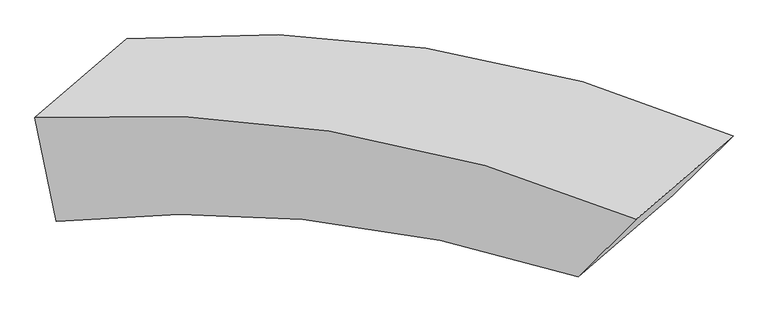
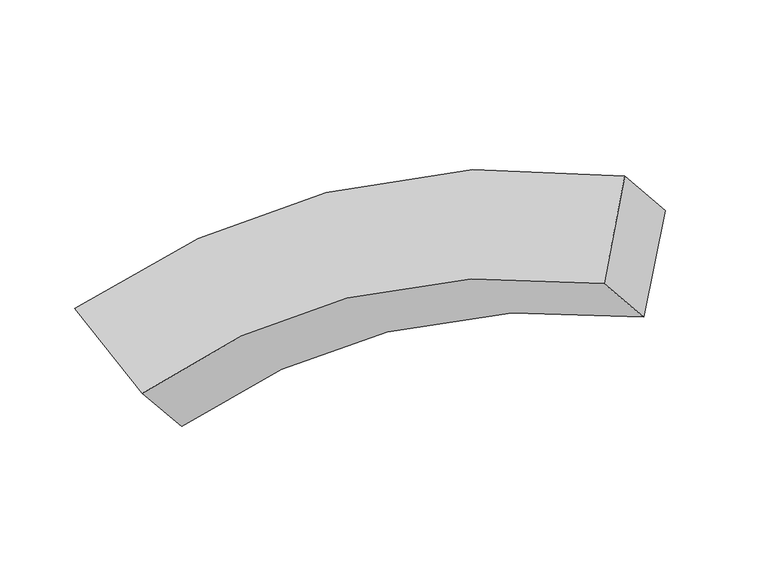
"""IFC4 building model written with IfcOpenShell, lengths in millimetres: proxy geometry."""

from ifc_helpers import new_model, si_unit, frame, origin, place, context, project, spatial, source, transform, mapped, element, save
from ifc_brep_helpers import plane_surface, spline_curve, spline_surface, advanced_brep


def generic_models_2a4c7861(model_context):
    return source(origin(), model_context, "Body", "AdvancedBrep", [
        advanced_brep(
        [(11433.2935206, -3349.4048131, 1072.9148734), (10913.4321047, -3797.7714913, 1759.9650845), (8058.2750024, -3495.749154, 1813.9705816), (8570.9774516, -3053.5568947, 1136.3816797), (11760.7384197, -3026.5263979, 1503.1147141), (8444.922343, -2493.6544437, 1434.6647041), (11230.1720067, -3484.125852, 2204.3126773), (7942.9248908, -2926.6139272, 2098.1058539)],
        [
            (0, 1),
            (1, 2, spline_curve(3, [(10913.4321047, -3797.7714913, 1759.9650845), (10408.388597045, -3636.944399425, 1913.81832185), (9906.870148962, -3532.725337279, 1992.050615982), (8955.757781195, -3441.793523979, 1997.038007615), (8505.557195154, -3445.338473672, 1936.807545814), (8058.2750024, -3495.749154, 1813.9705816)], [4, 2, 4], [0.0, 0.5235904877689537, 1.0])),
            (2, 3),
            (3, 0, spline_curve(3, [(8570.9774516, -3053.5568947, 1136.3816797), (9024.764448475, -2997.53599339, 1250.621877714), (9478.912502147, -2990.586457498, 1305.63535588), (10432.942803147, -3079.001630832, 1296.791616047), (10932.900105814, -3184.56713951, 1220.622535815), (11433.2935206, -3349.4048131, 1072.9148734)], [4, 2, 4], [0.0, 0.47640951223104633, 1.0])),
            (4, 0),
            (3, 5),
            (5, 4, spline_curve(3, [(8444.922343, -2493.6544437, 1434.6647041), (9006.119850095, -2449.185599051, 1585.810868537), (9550.81672292, -2466.216744483, 1670.1281713), (10659.518847708, -2631.056306878, 1706.837012645), (11220.094000659, -2791.649146069, 1645.33637988), (11760.7384197, -3026.5263979, 1503.1147141)], [4, 2, 4], [0.0, 4.9622898187737885, 10.416017504636233])),
            (6, 4),
            (5, 7),
            (7, 6, spline_curve(3, [(7942.9248908, -2926.6139272, 2098.1058539), (8491.269953396, -2893.229974902, 2266.237842681), (9027.076014014, -2917.929209859, 2362.305266028), (10125.431620592, -3091.692369946, 2412.688093313), (10685.374598481, -3252.830443204, 2352.022944315), (11230.1720067, -3484.125852, 2204.3126773)], [4, 2, 4], [0.0, 5.334047940138312, 11.196350625239901])),
            (1, 6),
            (7, 2),
        ],
        [
            spline_surface(3, 3, [[(11433.2935206, -3349.4048131, 1072.9148734), (10932.900105818, -3184.567139503, 1220.622535811), (10432.942803149, -3079.001630829, 1296.791616051), (9478.912502145, -2990.586457501, 1305.635355876), (9024.764448476, -2997.535993392, 1250.621877717), (8570.9774516, -3053.5568947, 1136.3816797)], [(11260.006381952, -3498.860372503, 1301.931610437), (10758.062936215, -3335.35955948, 1451.687797825), (10257.585251748, -3230.242866299, 1528.544616015), (9304.527595153, -3140.988812975, 1536.102906438), (8851.695364029, -3146.803486832, 1479.35043375), (8400.076635196, -3200.954314482, 1362.244646999)], [(11086.719243348, -3648.315931897, 1530.948347463), (10583.225766654, -3486.151979448, 1682.753059829), (10082.227700369, -3381.484101817, 1760.297616026), (9130.142688183, -3291.391168498, 1766.570457047), (8678.626279594, -3296.070980227, 1708.078989786), (8229.175818804, -3348.351734218, 1588.107614301)], [(10913.4321047, -3797.7714913, 1759.9650845), (10408.388597051, -3636.944399424, 1913.818321843), (9906.870148968, -3532.725337288, 1992.050615989), (8955.75778119, -3441.793523972, 1997.038007609), (8505.557195147, -3445.338473667, 1936.807545819), (8058.2750024, -3495.749154, 1813.9705816)]], [4, 4], [4, 2, 4], [0.0, 1.0], [0.0, 0.5235904877689537, 1.0]),
            spline_surface(3, 3, [[(11760.7384197, -3026.5263979, 1503.1147141), (11220.094000584, -2791.649146112, 1645.33637985), (10659.518847789, -2631.056306815, 1706.837012649), (9550.816722847, -2466.216744541, 1670.128171297), (9006.119850027, -2449.185599095, 1585.810868521), (8444.922343, -2493.6544437, 1434.6647041)], [(11651.590120025, -3134.152536304, 1359.714767213), (11124.362702353, -2922.62181058, 1503.765098517), (10583.993499571, -2780.371414829, 1570.155213791), (9526.848649275, -2641.006648871, 1548.630566166), (9012.33471618, -2631.969063853, 1474.081204953), (8486.940712536, -2680.288594025, 1335.237029333)], [(11542.441820275, -3241.778674696, 1216.314820287), (11028.631404049, -3053.594475035, 1362.193817144), (10508.468151367, -2929.686522814, 1433.473414908), (9502.880575717, -2815.796553171, 1427.132961008), (9018.549582324, -2814.752528635, 1362.351541285), (8528.959082064, -2866.922744375, 1235.809354467)], [(11433.2935206, -3349.4048131, 1072.9148734), (10932.900105818, -3184.567139503, 1220.622535811), (10432.942803149, -3079.001630829, 1296.791616051), (9478.912502145, -2990.586457501, 1305.635355876), (9024.764448476, -2997.535993392, 1250.621877717), (8570.9774516, -3053.5568947, 1136.3816797)]], [4, 4], [4, 2, 4], [0.0, 2.0977790678300163], [0.0, 5.453727685862445, 10.416017504636233]),
            spline_surface(3, 3, [[(11230.1720067, -3484.125852, 2204.3126773), (10685.37459848, -3252.830443126, 2352.022944345), (10125.431620554, -3091.692369853, 2412.6880933), (9027.076014048, -2917.929209944, 2362.305266041), (8491.269953362, -2893.229974943, 2266.237842642), (7942.9248908, -2926.6139272, 2098.1058539)], [(11407.027477675, -3331.59270064, 1970.580022898), (10863.614399156, -3099.103344128, 2116.460756178), (10303.460696308, -2938.14701551, 2177.404399743), (9201.656250324, -2767.358388145, 2131.579567786), (8662.886585594, -2745.215183002, 2039.428851268), (8110.257374876, -2782.294099375, 1876.958803966)], [(11583.882948725, -3179.05954926, 1736.847368502), (11041.854199908, -2945.376245109, 1880.898568017), (10481.489772034, -2784.601661158, 1942.120706205), (9376.236486571, -2616.787566339, 1900.853869551), (8834.503217796, -2597.200391036, 1812.619859895), (8277.589858924, -2637.974271525, 1655.811754034)], [(11760.7384197, -3026.5263979, 1503.1147141), (11220.094000584, -2791.649146112, 1645.33637985), (10659.518847789, -2631.056306815, 1706.837012649), (9550.816722847, -2466.216744541, 1670.128171297), (9006.119850027, -2449.185599095, 1585.810868521), (8444.922343, -2493.6544437, 1434.6647041)]], [4, 4], [4, 2, 4], [0.0, 3.244817375369042], [0.0, 5.862302685101589, 11.196350625239901]),
            spline_surface(3, 3, [[(10913.4321047, -3797.7714913, 1759.9650845), (10408.388597051, -3636.944399424, 1913.818321843), (9906.870148968, -3532.725337288, 1992.050615989), (8955.75778119, -3441.793523972, 1997.038007609), (8505.557195147, -3445.338473667, 1936.807545819), (8058.2750024, -3495.749154, 1813.9705816)], [(11019.012072048, -3693.222944853, 1908.080948752), (10500.717264209, -3508.906413977, 2059.886529329), (9979.723972833, -3385.714348146, 2132.26310844), (8979.530525479, -3267.172085966, 2118.793760433), (8500.79478121, -3261.302307411, 2046.617644729), (8019.824965191, -3306.037411718, 1908.682339002)], [(11124.592039352, -3588.674398447, 2056.196813048), (10593.045931322, -3380.868428573, 2205.954736859), (10052.577796689, -3238.703358995, 2272.475600849), (9003.303269759, -3092.55064795, 2240.549513216), (8496.032367299, -3077.2661412, 2156.427743733), (7981.374928009, -3116.325669482, 2003.394096498)], [(11230.1720067, -3484.125852, 2204.3126773), (10685.37459848, -3252.830443126, 2352.022944345), (10125.431620554, -3091.692369853, 2412.6880933), (9027.076014048, -2917.929209944, 2362.305266041), (8491.269953362, -2893.229974943, 2266.237842642), (7942.9248908, -2926.6139272, 2098.1058539)]], [4, 4], [4, 2, 4], [0.0, 2.0965919712620873], [0.0, 5.430574786883471, 10.37179802487137]),
            plane_surface(frame((8254.274922, -2992.3936049, 1620.7807048), z_axis=(-0.8256345172847955, 0.10902841146982573, -0.5535706362879709), x_axis=(0.1948896589200919, -0.8656467707104759, -0.46116557677751163))),
            plane_surface(frame((11334.4090129, -3414.4571386, 1635.0768373), z_axis=(0.6784208886412345, -0.733867057657936, 0.03441278163301775), x_axis=(0.5352498491046952, 0.4616387935218602, -0.707387604746565))),
        ],
        [
            (0, [[1, 2, 3, 4]]),
            (1, [[5, -4, 6, 7]]),
            (2, [[8, -7, 9, 10]]),
            (3, [[11, -10, 12, -2]]),
            (4, [[-6, -3, -12, -9]]),
            (5, [[-1, -5, -8, -11]]),
        ],
    ),
    ])


if __name__ == "__main__":
    model = new_model("IFC4")
    model_context = context("Model", 3, world=origin())
    ifc_project = project(units=[si_unit("LENGTHUNIT", "METRE", prefix="MILLI")], contexts=[model_context])
    site = spatial("IfcSite", under=ifc_project)
    building = spatial("IfcBuilding", under=site)
    placement = place(None, origin())
    generic_models_shape = generic_models_2a4c7861(model_context)
    element("IfcBuildingElementProxy", 1, Name="Generic Models", at=placement, inside=building, context=model_context, shape_type="MappedRepresentation", body=[
        mapped(generic_models_shape, transform((0.0, 0.0, 0.0), x_axis=(1.0, 0.0, 0.0), y_axis=(0.0, 1.0, 0.0), z_axis=(0.0, 0.0, 1.0))),
    ])
    save(model, "model.ifc")
